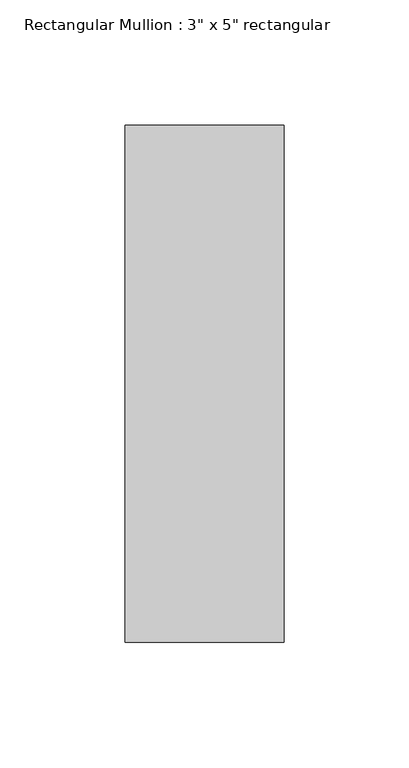
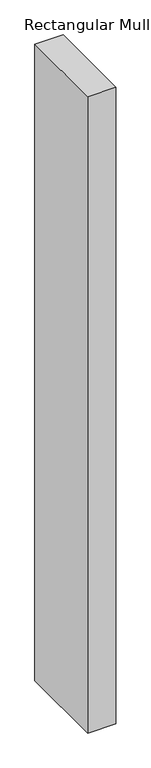
"""IFC4 building model written with IfcOpenShell, lengths in millimetres: member geometry."""

from ifc_helpers import new_model, si_unit, frame, origin, place, context, project, spatial, polyline, outline, extrude, source, transform, mapped, element, save


def member_6691d4e6(model_context):
    return source(origin(), model_context, "Body", "SweptSolid", [
        extrude(outline(polyline([(0.0, 90.551), (0.0, -115.951), (-63.5, -115.951), (-63.5, 90.551), (0.0, 90.551)])), frame((0.0, 0.0, -1517.65), z_axis=(0.0, 0.0, 1.0), x_axis=(1.0, 0.0, 0.0)), (0.0, 0.0, 1.0), 1517.65),
    ])


if __name__ == "__main__":
    model = new_model("IFC4")
    model_context = context("Model", 3, world=origin())
    ifc_project = project(units=[si_unit("LENGTHUNIT", "METRE", prefix="MILLI")], contexts=[model_context])
    site = spatial("IfcSite", under=ifc_project)
    building = spatial("IfcBuilding", under=site)
    placement = place(None, origin())
    member_shape = member_6691d4e6(model_context)
    element("IfcMember", 1, ObjectType="Rectangular Mullion : 3\" x 5\" rectangular", at=placement, inside=building, context=model_context, shape_type="MappedRepresentation", body=[
        mapped(member_shape, transform((0.0, 0.0, 0.0), x_axis=(1.0, 0.0, 0.0), y_axis=(0.0, 1.0, 0.0), z_axis=(0.0, 0.0, 1.0))),
    ])
    save(model, "model.ifc")
